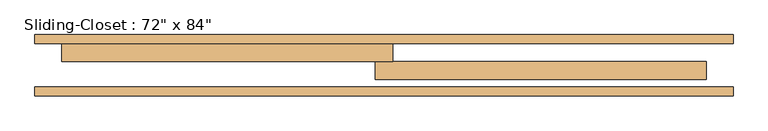
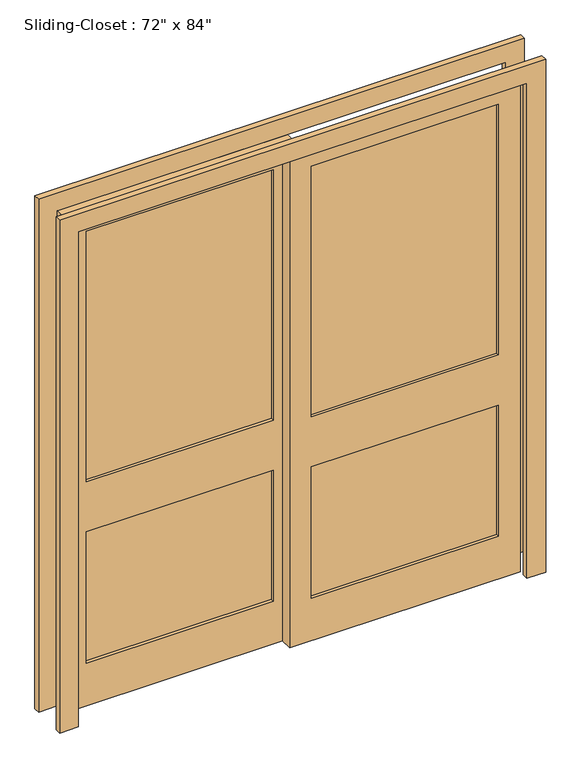
"""IFC4 building model written with IfcOpenShell, lengths in millimetres: door geometry."""

from ifc_helpers import new_model, si_unit, frame, origin, place, context, project, spatial, polyline, outline, extrude, source, transform, mapped, element, save


def door_7c81033e(model_context):
    return source(origin(), model_context, "Body", "SweptSolid", [
        extrude(outline(polyline([(-63.5, 150.8125), (-825.5, 150.8125), (-825.5, 176.2125), (-63.5, 176.2125), (-63.5, 150.8125)])), frame((0.0, 0.0, 965.2), z_axis=(0.0, 0.0, 1.0), x_axis=(1.0, 0.0, 0.0)), (0.0, 0.0, 1.0), 1079.5),
        extrude(outline(polyline([(-63.5, 150.8125), (-825.5, 150.8125), (-825.5, 176.2125), (-63.5, 176.2125), (-63.5, 150.8125)])), frame((0.0, 0.0, 184.15), z_axis=(0.0, 0.0, 1.0), x_axis=(1.0, 0.0, 0.0)), (0.0, 0.0, 1.0), 565.15),
        extrude(outline(polyline([(63.5, 125.4125), (825.5, 125.4125), (825.5, 100.0125), (63.5, 100.0125), (63.5, 125.4125)])), frame((0.0, 0.0, 965.2), z_axis=(0.0, 0.0, 1.0), x_axis=(1.0, 0.0, 0.0)), (0.0, 0.0, 1.0), 1079.5),
        extrude(outline(polyline([(63.5, 125.4125), (825.5, 125.4125), (825.5, 100.0125), (63.5, 100.0125), (63.5, 125.4125)])), frame((0.0, 0.0, 184.15), z_axis=(0.0, 0.0, 1.0), x_axis=(1.0, 0.0, 0.0)), (0.0, 0.0, 1.0), 565.15),
        extrude(outline(polyline([(2133.6, 25.4), (2133.6, -914.4), (0.0, -914.4), (0.0, 25.4), (2133.6, 25.4)]), holes=[polyline([(184.15, -825.5), (749.3, -825.5), (749.3, -63.5), (184.15, -63.5), (184.15, -825.5)]), polyline([(965.2, -825.5), (2044.7, -825.5), (2044.7, -63.5), (965.2, -63.5), (965.2, -825.5)])]), frame((0.0, 138.1125, 0.0), z_axis=(0.0, 1.0, 0.0), x_axis=(0.0, 0.0, 1.0)), (0.0, 0.0, 1.0), 50.8),
        extrude(outline(polyline([(0.0, -990.6), (0.0, -914.4), (2133.6, -914.4), (2133.6, 914.4), (0.0, 914.4), (0.0, 990.6), (2209.8, 990.6), (2209.8, -990.6), (0.0, -990.6)])), frame((0.0, 39.6875, 0.0), z_axis=(0.0, 1.0, 0.0), x_axis=(0.0, 0.0, 1.0)), (0.0, 0.0, 1.0), 25.4),
        extrude(outline(polyline([(0.0, 990.6), (2209.8, 990.6), (2209.8, -990.6), (0.0, -990.6), (0.0, -914.4), (2133.6, -914.4), (2133.6, 914.4), (0.0, 914.4), (0.0, 990.6)])), frame((0.0, 188.9125, 0.0), z_axis=(0.0, 1.0, 0.0), x_axis=(0.0, 0.0, 1.0)), (0.0, 0.0, 1.0), 25.4),
        extrude(outline(polyline([(2133.6, -25.4), (0.0, -25.4), (0.0, 914.4), (2133.6, 914.4), (2133.6, -25.4)]), holes=[polyline([(965.2, 825.5), (965.2, 63.5), (2044.7, 63.5), (2044.7, 825.5), (965.2, 825.5)]), polyline([(184.15, 825.5), (184.15, 63.5), (749.3, 63.5), (749.3, 825.5), (184.15, 825.5)])]), frame((0.0, 87.3125, 0.0), z_axis=(0.0, 1.0, 0.0), x_axis=(0.0, 0.0, 1.0)), (0.0, 0.0, 1.0), 50.8),
    ])


if __name__ == "__main__":
    model = new_model("IFC4")
    model_context = context("Model", 3, world=origin())
    ifc_project = project(units=[si_unit("LENGTHUNIT", "METRE", prefix="MILLI")], contexts=[model_context])
    site = spatial("IfcSite", under=ifc_project)
    building = spatial("IfcBuilding", under=site)
    placement = place(None, origin())
    door_shape = door_7c81033e(model_context)
    element("IfcDoor", 1, ObjectType="Sliding-Closet : 72\" x 84\"", at=placement, inside=building, context=model_context, shape_type="MappedRepresentation", body=[
        mapped(door_shape, transform((0.0, 0.0, 0.0), x_axis=(1.0, 0.0, 0.0), y_axis=(0.0, 1.0, 0.0), z_axis=(0.0, 0.0, 1.0))),
    ])
    save(model, "model.ifc")
